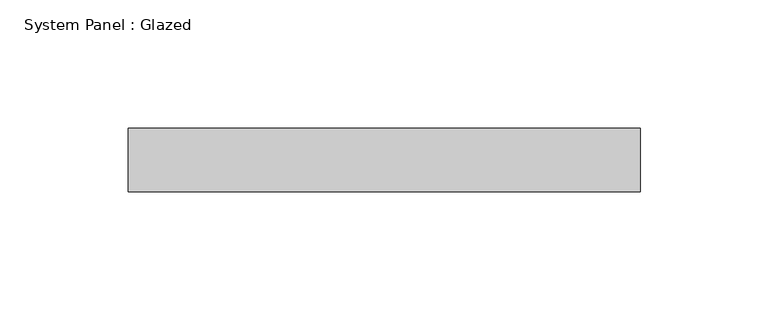
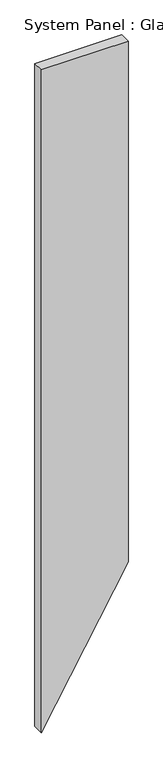
"""IFC4 building model written with IfcOpenShell, lengths in millimetres: plate geometry, System Panel : Glazed."""

from ifc_helpers import new_model, si_unit, frame, origin, place, context, project, spatial, polyline, outline, extrude, source, transform, mapped, element, save


def system_panel_glazed_305906ac(model_context):
    return source(origin(), model_context, "Body", "SweptSolid", [
        extrude(outline(polyline([(0.0, -100.0), (346.4101615, 100.0), (1614.3593534, 100.0), (1614.3593534, -100.0), (0.0, -100.0)])), frame((0.0, 24.5, 0.0), z_axis=(0.0, 1.0, 0.0), x_axis=(0.0, 0.0, 1.0)), (0.0, 0.0, 1.0), 25.0),
    ])


if __name__ == "__main__":
    model = new_model("IFC4")
    model_context = context("Model", 3, world=origin())
    ifc_project = project(units=[si_unit("LENGTHUNIT", "METRE", prefix="MILLI")], contexts=[model_context])
    site = spatial("IfcSite", under=ifc_project)
    building = spatial("IfcBuilding", under=site)
    placement = place(None, origin())
    system_panel_glazed_shape = system_panel_glazed_305906ac(model_context)
    element("IfcPlate", 1, ObjectType="System Panel : Glazed", at=placement, inside=building, context=model_context, shape_type="MappedRepresentation", body=[
        mapped(system_panel_glazed_shape, transform((0.0, 0.0, 0.0), x_axis=(1.0, 0.0, 0.0), y_axis=(0.0, 1.0, 0.0), z_axis=(0.0, 0.0, 1.0))),
    ])
    save(model, "model.ifc")
